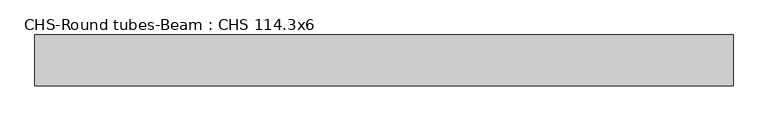
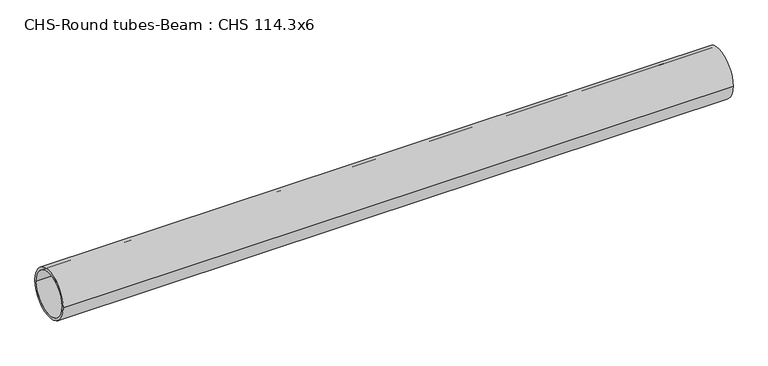
"""IFC4 building model written with IfcOpenShell, lengths in millimetres: beam geometry, CHS-Round tubes-Beam : CHS 114.3x6."""

from ifc_helpers import new_model, si_unit, point, frame, origin, origin_2d, place, context, project, spatial, circle_curve, trimmed, segment, composite_curve, outline, extrude, source, transform, mapped, element, save


def chs_round_tubes_beam_chs_114_3x6_5fbf6831(model_context):
    return source(origin(), model_context, "Body", "SweptSolid", [
        extrude(outline(composite_curve([segment(trimmed(circle_curve(origin_2d(), 57.15), [point((57.15, 0.0))], [point((-57.15, 0.0))], False, "CARTESIAN"), True, "CONTINUOUS"), segment(trimmed(circle_curve(origin_2d(), 57.15), [point((-57.15, 0.0))], [point((57.15, 0.0))], False, "CARTESIAN"), True, "CONTINUOUS")], self_intersect=False), holes=[composite_curve([segment(trimmed(circle_curve(origin_2d(), 51.15), [point((51.15, 0.0))], [point((-51.15, 0.0))], True, "CARTESIAN"), True, "CONTINUOUS"), segment(trimmed(circle_curve(origin_2d(), 51.15), [point((-51.15, 0.0))], [point((51.15, 0.0))], True, "CARTESIAN"), True, "CONTINUOUS")], self_intersect=False)]), frame((-775.8407756, 0.0, 0.0), z_axis=(1.0, 0.0, 0.0), x_axis=(0.0, 1.0, 0.0)), (0.0, 0.0, 1.0), 1565.3693075),
    ])


if __name__ == "__main__":
    model = new_model("IFC4")
    model_context = context("Model", 3, world=origin())
    ifc_project = project(units=[si_unit("LENGTHUNIT", "METRE", prefix="MILLI")], contexts=[model_context])
    site = spatial("IfcSite", under=ifc_project)
    building = spatial("IfcBuilding", under=site)
    placement = place(None, origin())
    chs_round_tubes_beam_chs_114_3x6_shape = chs_round_tubes_beam_chs_114_3x6_5fbf6831(model_context)
    element("IfcBeam", 1, ObjectType="CHS-Round tubes-Beam : CHS 114.3x6", at=placement, inside=building, context=model_context, shape_type="MappedRepresentation", body=[
        mapped(chs_round_tubes_beam_chs_114_3x6_shape, transform((0.0, 0.0, 0.0), x_axis=(1.0, 0.0, 0.0), y_axis=(0.0, 1.0, 0.0), z_axis=(0.0, 0.0, 1.0))),
    ])
    save(model, "model.ifc")
